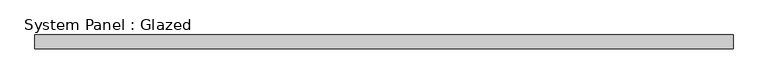
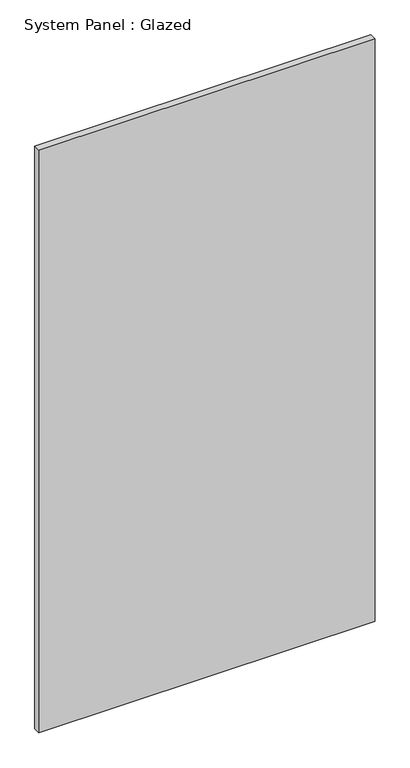
"""IFC4 building model written with IfcOpenShell, lengths in millimetres: plate geometry, System Panel : Glazed."""

import ifcopenshell
import ifcopenshell.guid

model = None  # the IFC model being written
_history = None  # IfcOwnerHistory: only IFC2X3 demands one
_inside = {}  # id of a spatial element -> (the spatial element, [elements in it])
_under = {}  # id of a project, library or spatial element -> (it, [spatial elements below it])
_declared = {}  # id of a project -> (the project, [libraries it declares])
_typed = {}  # id of a type object -> (the type object, [elements of that type])
_made_of = {}  # id of a material, layer set ... -> (it, [elements and type objects made of it])


def new_model(schema):
    """Start an empty IFC model of exactly this schema.

    Asked for "IFC4X3", IfcOpenShell would pick the latest addendum, in which some entities
    have other attributes; the version numbers below select the first issue.
    IFC2X3 requires an IfcOwnerHistory on every rooted entity: one is made here for all.
    """
    global model, _history
    if schema == "IFC4X3":
        model = ifcopenshell.file(schema_version=(4, 3, 0, 0))
    else:
        model = ifcopenshell.file(schema=schema)
    _inside.clear()
    _under.clear()
    _declared.clear()
    _typed.clear()
    _made_of.clear()
    _history = None
    if model.schema == "IFC2X3":
        org = make("IfcOrganization", Name="unknown")
        user = make(
            "IfcPersonAndOrganization",
            ThePerson=make("IfcPerson", FamilyName="unknown"),
            TheOrganization=org,
        )
        app = make(
            "IfcApplication",
            ApplicationDeveloper=org,
            Version="unknown",
            ApplicationFullName="unknown",
            ApplicationIdentifier="unknown",
        )
        _history = make(
            "IfcOwnerHistory",
            OwningUser=user,
            OwningApplication=app,
            ChangeAction="ADDED",
            CreationDate=0,
        )
    return model


def make(cls, **values):
    """One entity of the class cls with the attributes given. An attribute that is None is left unset."""
    return model.create_entity(
        cls, **{name: value for name, value in values.items() if value is not None}
    )


def rooted(cls, **values):
    """An entity with a GlobalId (a new one), such as an element, a storey or a relation."""
    return make(cls, GlobalId=ifcopenshell.guid.new(), OwnerHistory=_history, **values)


def si_unit(unit_type, name, prefix=None):
    """IfcSIUnit, for example si_unit("LENGTHUNIT", "METRE", prefix="MILLI")."""
    return make("IfcSIUnit", UnitType=unit_type, Prefix=prefix, Name=name)


def assignment(units):
    """IfcUnitAssignment: the units of a project."""
    return None if units is None else make("IfcUnitAssignment", Units=units)


def point(xyz):
    """IfcCartesianPoint."""
    return None if xyz is None else make("IfcCartesianPoint", Coordinates=xyz)


def direction(xyz):
    """IfcDirection."""
    return None if xyz is None else make("IfcDirection", DirectionRatios=xyz)


def frame(location, z_axis=None, x_axis=None):
    """IfcAxis2Placement3D, a coordinate frame: its origin and axes. An axis left out is left unset."""
    return make(
        "IfcAxis2Placement3D",
        Location=point(location),
        Axis=direction(z_axis),
        RefDirection=direction(x_axis),
    )


def origin():
    """The frame at (0, 0, 0) with its axes left unset."""
    return frame((0.0, 0.0, 0.0))


def origin_with_axes():
    """The frame at (0, 0, 0) with the z axis (0, 0, 1) and the x axis (1, 0, 0) written out."""
    return frame((0.0, 0.0, 0.0), z_axis=(0.0, 0.0, 1.0), x_axis=(1.0, 0.0, 0.0))


def place(relative_to, where):
    """IfcLocalPlacement: puts the frame where relative to a parent placement (None: the world)."""
    return make(
        "IfcLocalPlacement", PlacementRelTo=relative_to, RelativePlacement=where
    )


def context(
    kind, dimensions, precision=None, world=None, true_north=None, identifier=None
):
    """IfcGeometricRepresentationContext, for example the 3D "Model" context."""
    return make(
        "IfcGeometricRepresentationContext",
        ContextIdentifier=identifier,
        ContextType=kind,
        CoordinateSpaceDimension=dimensions,
        Precision=precision,
        WorldCoordinateSystem=world,
        TrueNorth=true_north,
    )


def project(units=None, contexts=None):
    """IfcProject with its units and contexts."""
    return rooted(
        "IfcProject",
        Name="project",
        RepresentationContexts=contexts,
        UnitsInContext=assignment(units),
    )


def spatial(cls, under=None, at=None, **own):
    """A site, building, storey or space (cls), placed at a placement, below another one or the project."""
    s = rooted(cls, ObjectPlacement=at, **own)
    if under is not None:
        _under.setdefault(under.id(), (under, []))[1].append(s)
    return s


def polyline(points):
    """IfcPolyline through the points."""
    return make("IfcPolyline", Points=[point(p) for p in points])


def outline(outer, holes=None, kind="AREA"):
    """IfcArbitraryClosedProfileDef: a profile drawn as a closed curve; with holes, ...WithVoids."""
    if holes is None:
        return make("IfcArbitraryClosedProfileDef", ProfileType=kind, OuterCurve=outer)
    return make(
        "IfcArbitraryProfileDefWithVoids",
        ProfileType=kind,
        OuterCurve=outer,
        InnerCurves=holes,
    )


def extrude(swept, where, along, depth):
    """IfcExtrudedAreaSolid: the profile swept, set in the frame where, extruded along a direction by depth."""
    return make(
        "IfcExtrudedAreaSolid",
        SweptArea=swept,
        Position=where,
        ExtrudedDirection=direction(along),
        Depth=depth,
    )


def shape(context_of_items, identifier, shape_type, items):
    """IfcShapeRepresentation: the items that make up one representation, for example the "Body"."""
    return make(
        "IfcShapeRepresentation",
        ContextOfItems=context_of_items,
        RepresentationIdentifier=identifier,
        RepresentationType=shape_type,
        Items=items,
    )


def source(mapping_origin, context_of_items, identifier, shape_type, items):
    """IfcRepresentationMap: a shape defined once, which mapped items show again and again."""
    return make(
        "IfcRepresentationMap",
        MappingOrigin=mapping_origin,
        MappedRepresentation=shape(context_of_items, identifier, shape_type, items),
    )


def transform(
    local_origin,
    x_axis=None,
    y_axis=None,
    z_axis=None,
    scale=None,
    scale2=None,
    scale3=None,
    uniform=True,
):
    """IfcCartesianTransformationOperator3D, or its non-uniform kind. x_axis, y_axis, z_axis: its Axis1, 2, 3."""
    if uniform:
        return make(
            "IfcCartesianTransformationOperator3D",
            Axis1=direction(x_axis),
            Axis2=direction(y_axis),
            LocalOrigin=point(local_origin),
            Scale=scale,
            Axis3=direction(z_axis),
        )
    return make(
        "IfcCartesianTransformationOperator3DnonUniform",
        Axis1=direction(x_axis),
        Axis2=direction(y_axis),
        LocalOrigin=point(local_origin),
        Scale=scale,
        Axis3=direction(z_axis),
        Scale2=scale2,
        Scale3=scale3,
    )


def mapped(mapping_source, mapping_target):
    """IfcMappedItem: shows the shape of a source again, moved by a transform."""
    return make(
        "IfcMappedItem", MappingSource=mapping_source, MappingTarget=mapping_target
    )


def made_of(thing, what):
    """Note that an element or type object is made of a material, layer set ...; save() writes the relation."""
    if what is not None:
        _made_of.setdefault(what.id(), (what, []))[1].append(thing)
    return thing


def element(
    cls,
    number,
    at=None,
    inside=None,
    cuts=None,
    type_object=None,
    material=None,
    context=None,
    identifier="Body",
    shape_type=None,
    held_by="IfcProductDefinitionShape",
    body=None,
    shapes=None,
    **own,
):
    """One element of the class cls, such as IfcWall. Its Tag is "e" and its number.

    at: its placement. inside: the storey or other place that contains it. cuts: it is an
    opening in that element (IfcRelVoidsElement). A single representation is given by context,
    identifier, shape_type and body (its items); several are given by shapes. held_by: the class
    of the entity that holds the representations. save() writes the other relations.
    """
    e = rooted(cls, Tag="e%d" % number, ObjectPlacement=at, **own)
    if body is not None:
        shapes = [shape(context, identifier, shape_type, body)]
    if shapes is not None:
        e.Representation = make(held_by, Representations=shapes)
    if inside is not None:
        _inside.setdefault(inside.id(), (inside, []))[1].append(e)
    if cuts is not None:
        rooted(
            "IfcRelVoidsElement", RelatingBuildingElement=cuts, RelatedOpeningElement=e
        )
    if type_object is not None:
        _typed.setdefault(type_object.id(), (type_object, []))[1].append(e)
    return made_of(e, material)


def aggregate(whole, parts):
    """IfcRelAggregates: a whole, such as a stair, and the parts it consists of."""
    return rooted("IfcRelAggregates", RelatingObject=whole, RelatedObjects=parts)


def save(model, path):
    """Write the relations noted so far, then the file.

    IfcRelAggregates (storeys below a building ...), IfcRelContainedInSpatialStructure (elements
    in a storey), IfcRelDefinesByType, IfcRelAssociatesMaterial and IfcRelDeclares: one each for
    every whole, place, type object, material and project.
    """
    for whole, parts in _under.values():
        aggregate(whole, parts)
    for where, things in _inside.values():
        rooted(
            "IfcRelContainedInSpatialStructure",
            RelatedElements=things,
            RelatingStructure=where,
        )
    for kind, things in _typed.values():
        rooted("IfcRelDefinesByType", RelatedObjects=things, RelatingType=kind)
    for what, things in _made_of.values():
        rooted("IfcRelAssociatesMaterial", RelatedObjects=things, RelatingMaterial=what)
    for by, libraries in _declared.values():
        rooted("IfcRelDeclares", RelatingContext=by, RelatedDefinitions=libraries)
    model.write(path)


def system_panel_glazed_6735db48(model_context):
    return source(origin(), model_context, "Body", "SweptSolid", [
        extrude(outline(polyline([(641.6666666, 24.5), (-641.6666666, 24.5), (-641.6666666, 49.5), (641.6666666, 49.5), (641.6666666, 24.5)])), origin_with_axes(), (0.0, 0.0, 1.0), 2350.0),
    ])


if __name__ == "__main__":
    model = new_model("IFC4")
    model_context = context("Model", 3, world=origin())
    ifc_project = project(units=[si_unit("LENGTHUNIT", "METRE", prefix="MILLI")], contexts=[model_context])
    site = spatial("IfcSite", under=ifc_project)
    building = spatial("IfcBuilding", under=site)
    placement = place(None, origin())
    system_panel_glazed_shape = system_panel_glazed_6735db48(model_context)
    element("IfcPlate", 1, ObjectType="System Panel : Glazed", at=placement, inside=building, context=model_context, shape_type="MappedRepresentation", body=[
        mapped(system_panel_glazed_shape, transform((0.0, 0.0, 0.0), x_axis=(1.0, 0.0, 0.0), y_axis=(0.0, 1.0, 0.0), z_axis=(0.0, 0.0, 1.0))),
    ])
    save(model, "model.ifc")
